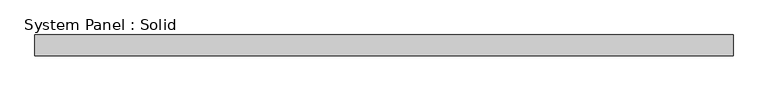
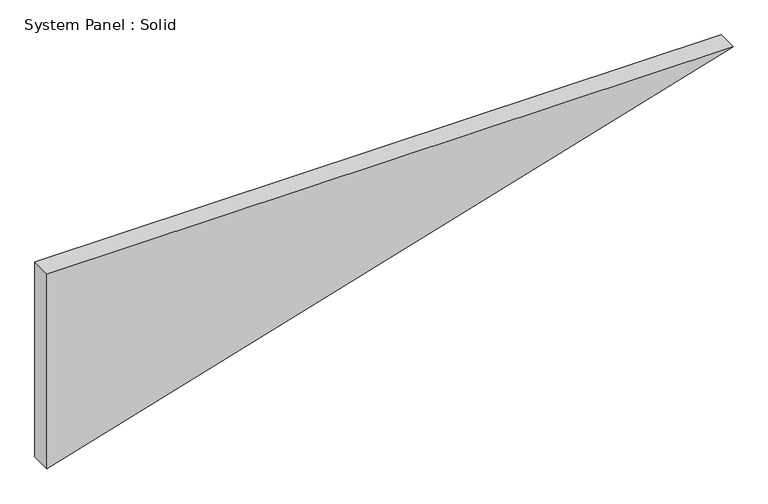
"""IFC4 building model written with IfcOpenShell, lengths in millimetres: plate geometry, System Panel : Solid."""

from ifc_helpers import new_model, si_unit, frame, origin, place, context, project, spatial, polyline, outline, extrude, source, transform, mapped, element, save


def system_panel_solid_4084ef53(model_context):
    return source(origin(), model_context, "Body", "SweptSolid", [
        extrude(outline(polyline([(598.248899, -995.1452763), (0.0, -995.1452763), (598.248899, 995.1452763), (598.248899, -995.1452763)])), frame((0.0, -10.5, 0.0), z_axis=(0.0, 1.0, 0.0), x_axis=(0.0, 0.0, 1.0)), (0.0, 0.0, 1.0), 60.0),
    ])


if __name__ == "__main__":
    model = new_model("IFC4")
    model_context = context("Model", 3, world=origin())
    ifc_project = project(units=[si_unit("LENGTHUNIT", "METRE", prefix="MILLI")], contexts=[model_context])
    site = spatial("IfcSite", under=ifc_project)
    building = spatial("IfcBuilding", under=site)
    placement = place(None, origin())
    system_panel_solid_shape = system_panel_solid_4084ef53(model_context)
    element("IfcPlate", 1, ObjectType="System Panel : Solid", at=placement, inside=building, context=model_context, shape_type="MappedRepresentation", body=[
        mapped(system_panel_solid_shape, transform((0.0, 0.0, 0.0), x_axis=(1.0, 0.0, 0.0), y_axis=(0.0, 1.0, 0.0), z_axis=(0.0, 0.0, 1.0))),
    ])
    save(model, "model.ifc")
